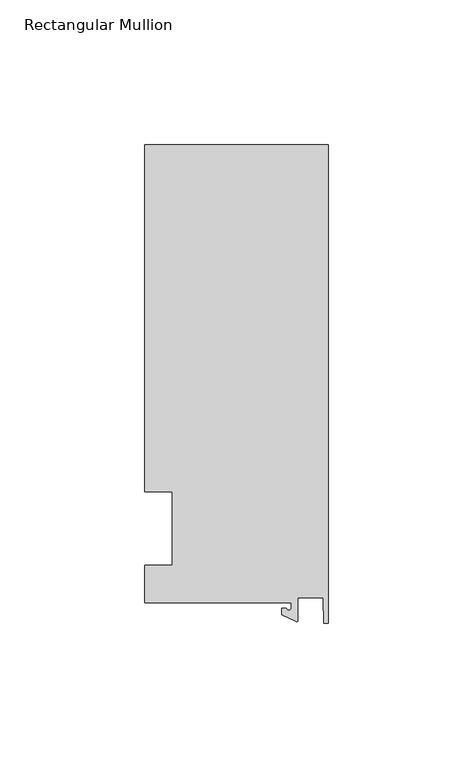
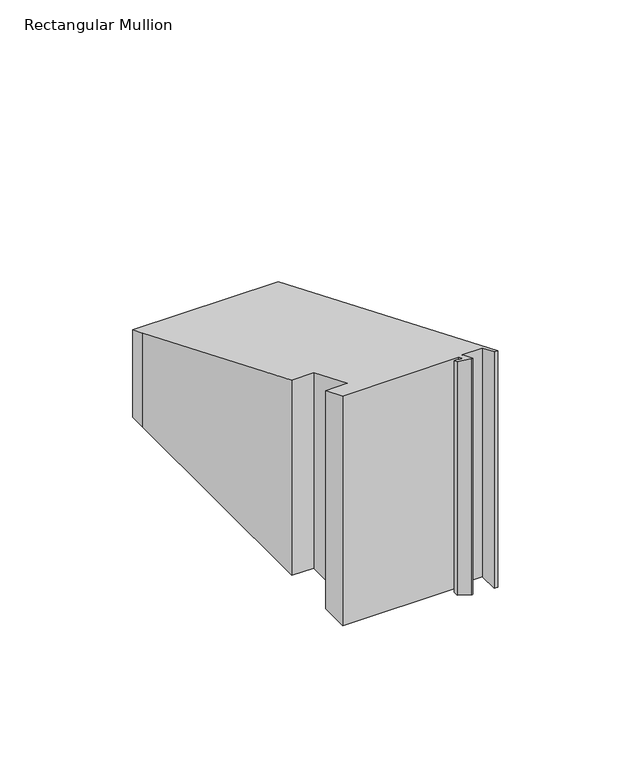
"""IFC4 building model written with IfcOpenShell, lengths in millimetres: member geometry, Rectangular Mullion."""

from ifc_helpers import new_model, si_unit, frame, origin, place, context, project, spatial, polyline, circle_curve, ellipse_curve, source, transform, mapped, element, save
from ifc_brep_helpers import plane_surface, cylinder_surface, revolved_surface, advanced_brep


def rectangular_mullion_f25035e3(model_context):
    return source(origin(), model_context, "Body", "AdvancedBrep", [
        advanced_brep(
        [(-12.8216721, -25.5984375, -95.25), (-63.5, -25.5984375, -95.25), (-63.5, -12.7, -95.25), (-53.975, -12.7, -95.25), (-53.975, 12.7, -95.25), (-63.5, 12.7, -95.25), (-63.5, 125.075512, -95.25), (-63.5, 132.822512, -95.25), (0.0, 132.822512, -95.25), (0.0, -32.810012, -95.25), (-1.5566453, -32.810012, -95.25), (-1.7144124, -23.9227662, -95.25), (-10.4340721, -23.9227662, -95.25), (-10.4340721, -31.6795354, -95.25), (-11.1567622, -32.1399398, -95.25), (-15.9966721, -29.8830527, -95.25), (-15.9966721, -27.5208534, -95.25), (-14.4091721, -27.5208534, -95.25), (-12.8216721, -27.5208534, -95.25), (-12.8216721, -27.5208534, 11.3995107), (-12.8216721, -25.5984375, 10.60322), (-14.4091721, -27.5208534, 11.3995107), (-15.9966721, -27.5208534, 11.3995107), (-15.9966721, -29.8830527, 12.3779657), (-11.1567622, -32.1399398, 13.312799), (-10.4340721, -31.6795354, 13.1220932), (-10.4340721, -23.9227662, 9.9091342), (-1.7144124, -23.9227662, 9.9091342), (-1.5566453, -32.810012, 13.5903519), (0.0, -32.810012, 13.5903519), (0.0, 132.822512, -55.0168859), (-63.5, 132.822512, -55.0168859), (-63.5, 12.7, -5.2605122), (-63.5, 125.075512, -51.8079734), (-53.975, 12.7, -5.2605122), (-53.975, -12.7, 5.2605122), (-63.5, -12.7, 5.2605122), (-63.5, -25.5984375, 10.60322)],
        [
            (0, 1),
            (1, 2),
            (2, 3),
            (3, 4),
            (4, 5),
            (5, 6),
            (6, 7),
            (7, 8),
            (8, 9),
            (9, 10),
            (10, 11),
            (11, 12),
            (12, 13),
            (13, 14, circle_curve(frame((-10.9420721, -31.6795354, -95.25), z_axis=(0.0, 0.0, -1.0), x_axis=(-1.0, 0.0, 0.0)), 0.508)),
            (14, 15),
            (15, 16),
            (16, 17),
            (17, 18, circle_curve(frame((-13.6154221, -27.5208534, -95.25), z_axis=(0.0, 0.0, 1.0), x_axis=(-1.0, 0.0, 0.0)), 0.79375)),
            (18, 0),
            (19, 20),
            (20, 0),
            (18, 19),
            (21, 19, ellipse_curve(frame((-13.6154221, -27.5208534, 11.3995107), z_axis=(0.0, 0.3826834323650906, 0.9238795325112864), x_axis=(0.0, 0.9238795325112864, -0.3826834323650908)), 0.8591488, 0.79375)),
            (17, 21),
            (22, 21),
            (16, 22),
            (23, 22),
            (15, 23),
            (24, 23),
            (14, 24),
            (25, 24, ellipse_curve(frame((-10.9420721, -31.6795354, 13.1220932), z_axis=(0.0, -0.3826834323650906, -0.9238795325112864), x_axis=(0.0, -0.9238795325112864, 0.3826834323650908)), 0.5498552, 0.508)),
            (13, 25),
            (26, 25),
            (12, 26),
            (27, 26),
            (11, 27),
            (28, 27),
            (10, 28),
            (29, 28),
            (9, 29),
            (30, 29),
            (8, 30),
            (31, 30),
            (7, 31),
            (32, 33),
            (33, 6),
            (5, 32),
            (34, 32),
            (4, 34),
            (35, 34),
            (3, 35),
            (36, 35),
            (2, 36),
            (37, 36),
            (1, 37),
            (20, 37),
            (31, 33),
        ],
        [
            plane_surface(frame((0.0, -147.2211591, -95.25), z_axis=(0.0, 0.0, -1.0), x_axis=(-1.0, 0.0, 0.0))),
            plane_surface(frame((-12.8216721, -25.5984375, 0.0), z_axis=(-1.0, 0.0, 0.0), x_axis=(0.0, 0.0, -1.0))),
            revolved_surface(polyline([(-14.4091721, -27.5208534, -95.25), (-14.4091721, -27.5208534, 11.72829271169635)]), (-13.6154221, -27.5208534, 0.0), (0.0, 0.0, -1.0)),
            plane_surface(frame((-14.4091721, -27.5208534, 0.0), z_axis=(0.0, 1.0, 0.0), x_axis=(0.0, 0.0, -1.0))),
            plane_surface(frame((-15.9966721, -27.5208534, 0.0), z_axis=(-1.0, 0.0, 0.0), x_axis=(0.0, 0.0, -1.0))),
            plane_surface(frame((-15.9966721, -29.8830527, 0.0), z_axis=(-0.4226182617406985, -0.9063077870366505, 0.0), x_axis=(0.0, 0.0, -1.0))),
            cylinder_surface(frame((-10.9420721, -31.6795354, 0.0), z_axis=(0.0, 0.0, 1.0), x_axis=(-1.0, 0.0, 0.0)), 0.508),
            plane_surface(frame((-10.4340721, -31.6795354, 0.0), z_axis=(1.0, 0.0, 0.0), x_axis=(0.0, 0.0, -1.0))),
            plane_surface(frame((-10.4340721, -23.9227662, 0.0), z_axis=(0.0, -1.0, 0.0), x_axis=(0.0, 0.0, -1.0))),
            plane_surface(frame((-1.7144124, -23.9227662, 0.0), z_axis=(-0.9998424690407919, -0.017749284560600327, 0.0), x_axis=(0.0, 0.0, -1.0))),
            plane_surface(frame((-1.5566453, -32.810012, 0.0), z_axis=(0.0, -1.0, 0.0), x_axis=(0.0, 0.0, -1.0))),
            plane_surface(frame((0.0, -32.810012, 0.0), z_axis=(1.0, 0.0, 0.0), x_axis=(0.0, 0.0, -1.0))),
            plane_surface(frame((0.0, 132.822512, 0.0), z_axis=(0.0, 1.0, 0.0), x_axis=(0.0, 0.0, -1.0))),
            plane_surface(frame((-63.5, 125.075512, 0.0), z_axis=(-1.0, 0.0, 0.0), x_axis=(0.0, 0.0, -1.0))),
            plane_surface(frame((-63.5, 12.7, 0.0), z_axis=(0.0, -1.0, 0.0), x_axis=(0.0, 0.0, -1.0))),
            plane_surface(frame((-53.975, 12.7, 0.0), z_axis=(-1.0, 0.0, 0.0), x_axis=(0.0, 0.0, -1.0))),
            plane_surface(frame((-53.975, -12.7, 0.0), z_axis=(0.0, 1.0, 0.0), x_axis=(0.0, 0.0, -1.0))),
            plane_surface(frame((-63.5, -12.7, 0.0), z_axis=(-1.0, 0.0, 0.0), x_axis=(0.0, 0.0, -1.0))),
            plane_surface(frame((-63.5, -25.5984375, 0.0), z_axis=(0.0, -1.0, 0.0), x_axis=(0.0, 0.0, -1.0))),
            plane_surface(frame((-304.8, 0.0, 0.0), z_axis=(0.0, 0.3826834323650906, 0.9238795325112864), x_axis=(0.0, 0.9238795325112864, -0.3826834323650906))),
            plane_surface(frame((-63.5, 132.822512, 0.0), z_axis=(-1.0, 0.0, 0.0), x_axis=(0.0, 0.0, -1.0))),
        ],
        [
            (0, [[1, 2, 3, 4, 5, 6, 7, 8, 9, 10, 11, 12, 13, 14, 15, 16, 17, 18, 19]]),
            (1, [[20, 21, -19, 22]]),
            (2, [[23, -22, -18, 24]]),
            (3, [[25, -24, -17, 26]]),
            (4, [[27, -26, -16, 28]]),
            (5, [[29, -28, -15, 30]]),
            (6, [[31, -30, -14, 32]]),
            (7, [[33, -32, -13, 34]]),
            (8, [[35, -34, -12, 36]]),
            (9, [[37, -36, -11, 38]]),
            (10, [[39, -38, -10, 40]]),
            (11, [[41, -40, -9, 42]]),
            (12, [[43, -42, -8, 44]]),
            (13, [[45, 46, -6, 47]]),
            (14, [[48, -47, -5, 49]]),
            (15, [[50, -49, -4, 51]]),
            (16, [[52, -51, -3, 53]]),
            (17, [[54, -53, -2, 55]]),
            (18, [[56, -55, -1, -21]]),
            (19, [[-20, -23, -25, -27, -29, -31, -33, -35, -37, -39, -41, -43, 57, -45, -48, -50, -52, -54, -56]]),
            (20, [[-57, -44, -7, -46]]),
        ],
    ),
    ])


if __name__ == "__main__":
    model = new_model("IFC4")
    model_context = context("Model", 3, world=origin())
    ifc_project = project(units=[si_unit("LENGTHUNIT", "METRE", prefix="MILLI")], contexts=[model_context])
    site = spatial("IfcSite", under=ifc_project)
    building = spatial("IfcBuilding", under=site)
    placement = place(None, origin())
    rectangular_mullion_shape = rectangular_mullion_f25035e3(model_context)
    element("IfcMember", 1, ObjectType="Rectangular Mullion", at=placement, inside=building, context=model_context, shape_type="MappedRepresentation", body=[
        mapped(rectangular_mullion_shape, transform((0.0, 0.0, 0.0), x_axis=(1.0, 0.0, 0.0), y_axis=(0.0, 1.0, 0.0), z_axis=(0.0, 0.0, 1.0))),
    ])
    save(model, "model.ifc")
